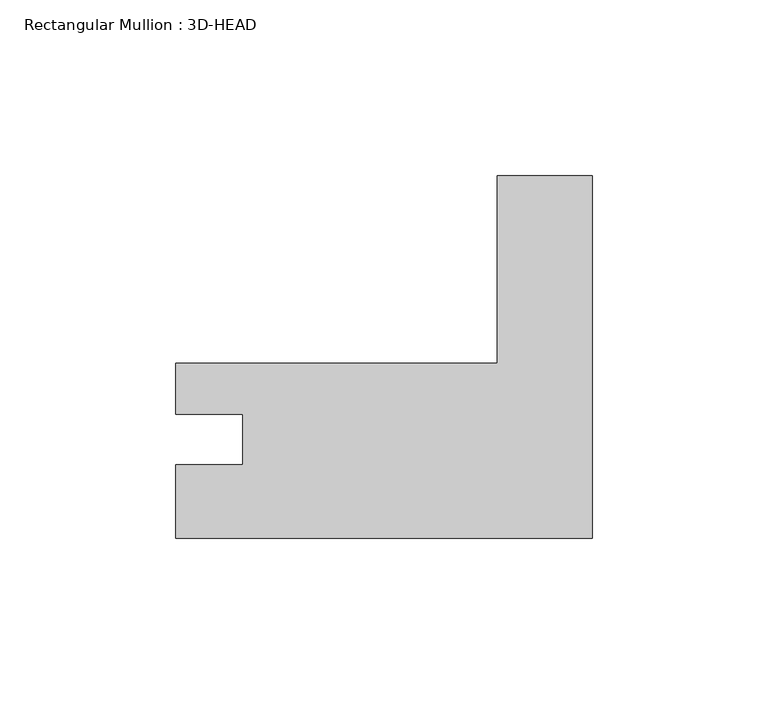
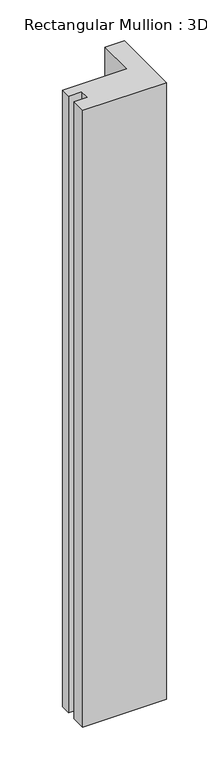
"""IFC4 building model written with IfcOpenShell, lengths in millimetres: member geometry, Rectangular Mullion : 3D-HEAD."""

import ifcopenshell
import ifcopenshell.guid

model = None  # the IFC model being written
_history = None  # IfcOwnerHistory: only IFC2X3 demands one
_inside = {}  # id of a spatial element -> (the spatial element, [elements in it])
_under = {}  # id of a project, library or spatial element -> (it, [spatial elements below it])
_declared = {}  # id of a project -> (the project, [libraries it declares])
_typed = {}  # id of a type object -> (the type object, [elements of that type])
_made_of = {}  # id of a material, layer set ... -> (it, [elements and type objects made of it])


def new_model(schema):
    """Start an empty IFC model of exactly this schema.

    Asked for "IFC4X3", IfcOpenShell would pick the latest addendum, in which some entities
    have other attributes; the version numbers below select the first issue.
    IFC2X3 requires an IfcOwnerHistory on every rooted entity: one is made here for all.
    """
    global model, _history
    if schema == "IFC4X3":
        model = ifcopenshell.file(schema_version=(4, 3, 0, 0))
    else:
        model = ifcopenshell.file(schema=schema)
    _inside.clear()
    _under.clear()
    _declared.clear()
    _typed.clear()
    _made_of.clear()
    _history = None
    if model.schema == "IFC2X3":
        org = make("IfcOrganization", Name="unknown")
        user = make(
            "IfcPersonAndOrganization",
            ThePerson=make("IfcPerson", FamilyName="unknown"),
            TheOrganization=org,
        )
        app = make(
            "IfcApplication",
            ApplicationDeveloper=org,
            Version="unknown",
            ApplicationFullName="unknown",
            ApplicationIdentifier="unknown",
        )
        _history = make(
            "IfcOwnerHistory",
            OwningUser=user,
            OwningApplication=app,
            ChangeAction="ADDED",
            CreationDate=0,
        )
    return model


def make(cls, **values):
    """One entity of the class cls with the attributes given. An attribute that is None is left unset."""
    return model.create_entity(
        cls, **{name: value for name, value in values.items() if value is not None}
    )


def rooted(cls, **values):
    """An entity with a GlobalId (a new one), such as an element, a storey or a relation."""
    return make(cls, GlobalId=ifcopenshell.guid.new(), OwnerHistory=_history, **values)


def si_unit(unit_type, name, prefix=None):
    """IfcSIUnit, for example si_unit("LENGTHUNIT", "METRE", prefix="MILLI")."""
    return make("IfcSIUnit", UnitType=unit_type, Prefix=prefix, Name=name)


def assignment(units):
    """IfcUnitAssignment: the units of a project."""
    return None if units is None else make("IfcUnitAssignment", Units=units)


def point(xyz):
    """IfcCartesianPoint."""
    return None if xyz is None else make("IfcCartesianPoint", Coordinates=xyz)


def direction(xyz):
    """IfcDirection."""
    return None if xyz is None else make("IfcDirection", DirectionRatios=xyz)


def frame(location, z_axis=None, x_axis=None):
    """IfcAxis2Placement3D, a coordinate frame: its origin and axes. An axis left out is left unset."""
    return make(
        "IfcAxis2Placement3D",
        Location=point(location),
        Axis=direction(z_axis),
        RefDirection=direction(x_axis),
    )


def origin():
    """The frame at (0, 0, 0) with its axes left unset."""
    return frame((0.0, 0.0, 0.0))


def place(relative_to, where):
    """IfcLocalPlacement: puts the frame where relative to a parent placement (None: the world)."""
    return make(
        "IfcLocalPlacement", PlacementRelTo=relative_to, RelativePlacement=where
    )


def context(
    kind, dimensions, precision=None, world=None, true_north=None, identifier=None
):
    """IfcGeometricRepresentationContext, for example the 3D "Model" context."""
    return make(
        "IfcGeometricRepresentationContext",
        ContextIdentifier=identifier,
        ContextType=kind,
        CoordinateSpaceDimension=dimensions,
        Precision=precision,
        WorldCoordinateSystem=world,
        TrueNorth=true_north,
    )


def project(units=None, contexts=None):
    """IfcProject with its units and contexts."""
    return rooted(
        "IfcProject",
        Name="project",
        RepresentationContexts=contexts,
        UnitsInContext=assignment(units),
    )


def spatial(cls, under=None, at=None, **own):
    """A site, building, storey or space (cls), placed at a placement, below another one or the project."""
    s = rooted(cls, ObjectPlacement=at, **own)
    if under is not None:
        _under.setdefault(under.id(), (under, []))[1].append(s)
    return s


def polyline(points):
    """IfcPolyline through the points."""
    return make("IfcPolyline", Points=[point(p) for p in points])


def outline(outer, holes=None, kind="AREA"):
    """IfcArbitraryClosedProfileDef: a profile drawn as a closed curve; with holes, ...WithVoids."""
    if holes is None:
        return make("IfcArbitraryClosedProfileDef", ProfileType=kind, OuterCurve=outer)
    return make(
        "IfcArbitraryProfileDefWithVoids",
        ProfileType=kind,
        OuterCurve=outer,
        InnerCurves=holes,
    )


def extrude(swept, where, along, depth):
    """IfcExtrudedAreaSolid: the profile swept, set in the frame where, extruded along a direction by depth."""
    return make(
        "IfcExtrudedAreaSolid",
        SweptArea=swept,
        Position=where,
        ExtrudedDirection=direction(along),
        Depth=depth,
    )


def shape(context_of_items, identifier, shape_type, items):
    """IfcShapeRepresentation: the items that make up one representation, for example the "Body"."""
    return make(
        "IfcShapeRepresentation",
        ContextOfItems=context_of_items,
        RepresentationIdentifier=identifier,
        RepresentationType=shape_type,
        Items=items,
    )


def source(mapping_origin, context_of_items, identifier, shape_type, items):
    """IfcRepresentationMap: a shape defined once, which mapped items show again and again."""
    return make(
        "IfcRepresentationMap",
        MappingOrigin=mapping_origin,
        MappedRepresentation=shape(context_of_items, identifier, shape_type, items),
    )


def transform(
    local_origin,
    x_axis=None,
    y_axis=None,
    z_axis=None,
    scale=None,
    scale2=None,
    scale3=None,
    uniform=True,
):
    """IfcCartesianTransformationOperator3D, or its non-uniform kind. x_axis, y_axis, z_axis: its Axis1, 2, 3."""
    if uniform:
        return make(
            "IfcCartesianTransformationOperator3D",
            Axis1=direction(x_axis),
            Axis2=direction(y_axis),
            LocalOrigin=point(local_origin),
            Scale=scale,
            Axis3=direction(z_axis),
        )
    return make(
        "IfcCartesianTransformationOperator3DnonUniform",
        Axis1=direction(x_axis),
        Axis2=direction(y_axis),
        LocalOrigin=point(local_origin),
        Scale=scale,
        Axis3=direction(z_axis),
        Scale2=scale2,
        Scale3=scale3,
    )


def mapped(mapping_source, mapping_target):
    """IfcMappedItem: shows the shape of a source again, moved by a transform."""
    return make(
        "IfcMappedItem", MappingSource=mapping_source, MappingTarget=mapping_target
    )


def made_of(thing, what):
    """Note that an element or type object is made of a material, layer set ...; save() writes the relation."""
    if what is not None:
        _made_of.setdefault(what.id(), (what, []))[1].append(thing)
    return thing


def element(
    cls,
    number,
    at=None,
    inside=None,
    cuts=None,
    type_object=None,
    material=None,
    context=None,
    identifier="Body",
    shape_type=None,
    held_by="IfcProductDefinitionShape",
    body=None,
    shapes=None,
    **own,
):
    """One element of the class cls, such as IfcWall. Its Tag is "e" and its number.

    at: its placement. inside: the storey or other place that contains it. cuts: it is an
    opening in that element (IfcRelVoidsElement). A single representation is given by context,
    identifier, shape_type and body (its items); several are given by shapes. held_by: the class
    of the entity that holds the representations. save() writes the other relations.
    """
    e = rooted(cls, Tag="e%d" % number, ObjectPlacement=at, **own)
    if body is not None:
        shapes = [shape(context, identifier, shape_type, body)]
    if shapes is not None:
        e.Representation = make(held_by, Representations=shapes)
    if inside is not None:
        _inside.setdefault(inside.id(), (inside, []))[1].append(e)
    if cuts is not None:
        rooted(
            "IfcRelVoidsElement", RelatingBuildingElement=cuts, RelatedOpeningElement=e
        )
    if type_object is not None:
        _typed.setdefault(type_object.id(), (type_object, []))[1].append(e)
    return made_of(e, material)


def aggregate(whole, parts):
    """IfcRelAggregates: a whole, such as a stair, and the parts it consists of."""
    return rooted("IfcRelAggregates", RelatingObject=whole, RelatedObjects=parts)


def save(model, path):
    """Write the relations noted so far, then the file.

    IfcRelAggregates (storeys below a building ...), IfcRelContainedInSpatialStructure (elements
    in a storey), IfcRelDefinesByType, IfcRelAssociatesMaterial and IfcRelDeclares: one each for
    every whole, place, type object, material and project.
    """
    for whole, parts in _under.values():
        aggregate(whole, parts)
    for where, things in _inside.values():
        rooted(
            "IfcRelContainedInSpatialStructure",
            RelatedElements=things,
            RelatingStructure=where,
        )
    for kind, things in _typed.values():
        rooted("IfcRelDefinesByType", RelatedObjects=things, RelatingType=kind)
    for what, things in _made_of.values():
        rooted("IfcRelAssociatesMaterial", RelatedObjects=things, RelatingMaterial=what)
    for by, libraries in _declared.values():
        rooted("IfcRelDeclares", RelatingContext=by, RelatedDefinitions=libraries)
    model.write(path)


def rectangular_mullion_3d_head_d0bbfc10(model_context):
    return source(origin(), model_context, "Body", "SweptSolid", [
        extrude(outline(polyline([(-118.2687503, 3.5122352), (-118.2687503, 24.3910418), (-99.2441515, 24.3910418), (-99.2441515, 38.7039352), (-118.2687515, 38.7039352), (-118.2687515, 53.2962352), (-26.9748, 53.2962352), (-26.9748, 106.4917729), (0.0, 106.4917729), (0.0, 3.5122352), (-118.2687503, 3.5122352)])), frame((0.0, 0.0, -921.8239883), z_axis=(0.0, 0.0, 1.0), x_axis=(1.0, 0.0, 0.0)), (0.0, 0.0, 1.0), 921.8239883),
    ])


if __name__ == "__main__":
    model = new_model("IFC4")
    model_context = context("Model", 3, world=origin())
    ifc_project = project(units=[si_unit("LENGTHUNIT", "METRE", prefix="MILLI")], contexts=[model_context])
    site = spatial("IfcSite", under=ifc_project)
    building = spatial("IfcBuilding", under=site)
    placement = place(None, origin())
    rectangular_mullion_3d_head_shape = rectangular_mullion_3d_head_d0bbfc10(model_context)
    element("IfcMember", 1, ObjectType="Rectangular Mullion : 3D-HEAD", at=placement, inside=building, context=model_context, shape_type="MappedRepresentation", body=[
        mapped(rectangular_mullion_3d_head_shape, transform((0.0, 0.0, 0.0), x_axis=(1.0, 0.0, 0.0), y_axis=(0.0, 1.0, 0.0), z_axis=(0.0, 0.0, 1.0))),
    ])
    save(model, "model.ifc")
